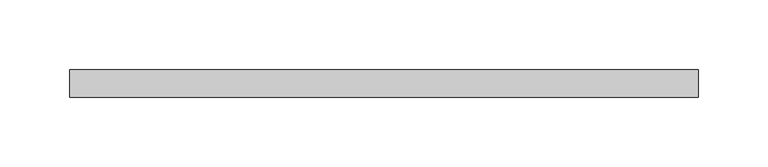
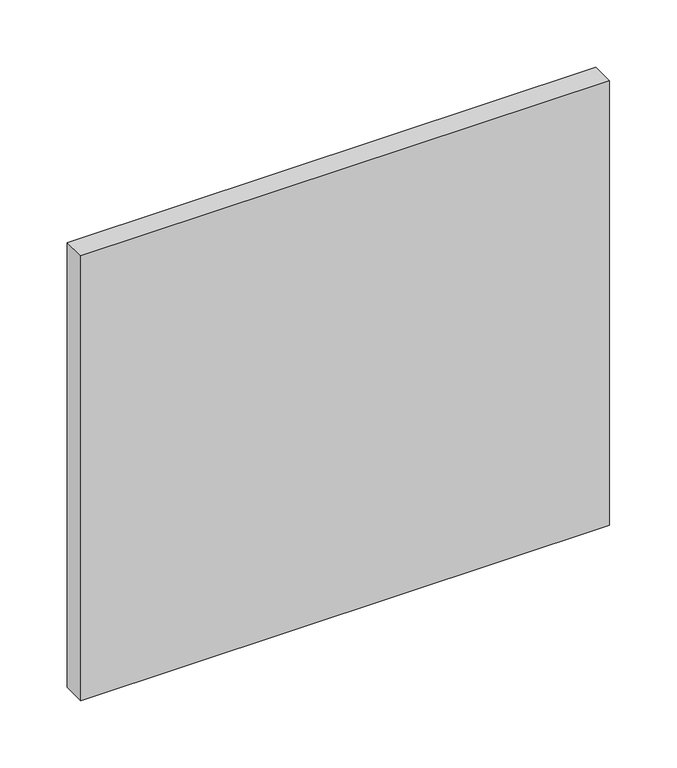
"""IFC4 building model written with IfcOpenShell, lengths in millimetres: plate geometry."""

from ifc_helpers import new_model, si_unit, origin, origin_with_axes, place, context, project, spatial, polyline, outline, extrude, source, transform, mapped, element, save


def plate_376596f6(model_context):
    return source(origin(), model_context, "Body", "SweptSolid", [
        extrude(outline(polyline([(226.25, 70.0), (-226.25, 70.0), (-226.25, 90.0), (226.25, 90.0), (226.25, 70.0)])), origin_with_axes(), (0.0, 0.0, 1.0), 402.3076923),
    ])


if __name__ == "__main__":
    model = new_model("IFC4")
    model_context = context("Model", 3, world=origin())
    ifc_project = project(units=[si_unit("LENGTHUNIT", "METRE", prefix="MILLI")], contexts=[model_context])
    site = spatial("IfcSite", under=ifc_project)
    building = spatial("IfcBuilding", under=site)
    placement = place(None, origin())
    plate_shape = plate_376596f6(model_context)
    element("IfcPlate", 1, at=placement, inside=building, context=model_context, shape_type="MappedRepresentation", body=[
        mapped(plate_shape, transform((0.0, 0.0, 0.0), x_axis=(1.0, 0.0, 0.0), y_axis=(0.0, 1.0, 0.0), z_axis=(0.0, 0.0, 1.0))),
    ])
    save(model, "model.ifc")
